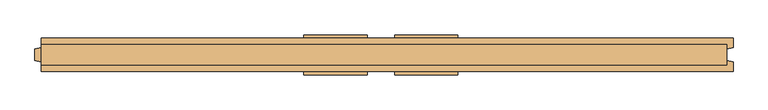
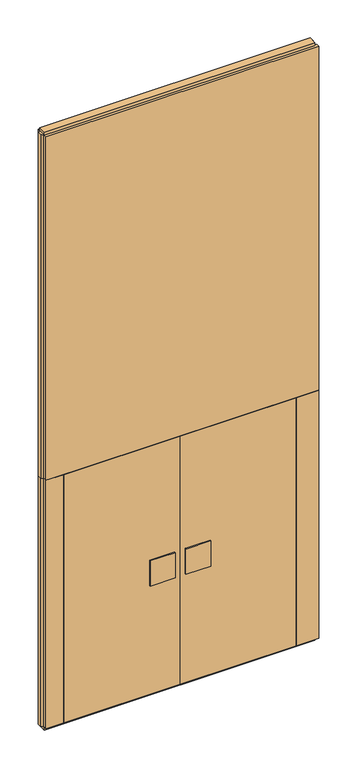
"""IFC4 building model written with IfcOpenShell, lengths in millimetres: door geometry."""

from ifc_helpers import new_model, si_unit, frame, origin, origin_with_axes, place, context, project, spatial, polyline, outline, extrude, source, transform, mapped, element, save


def door_0d68d484(model_context):
    return source(origin(), model_context, "Body", "SweptSolid", [
        extrude(outline(polyline([(43.0, -62.5), (43.0, -52.5), (240.0, -52.5), (240.0, -62.5), (43.0, -62.5)])), frame((0.0, 0.0, 934.0), z_axis=(0.0, 0.0, 1.0), x_axis=(1.0, 0.0, 0.0)), (0.0, 0.0, 1.0), 212.0),
        extrude(outline(polyline([(43.0, 52.5), (43.0, 62.5), (240.0, 62.5), (240.0, 52.5), (43.0, 52.5)])), frame((0.0, 0.0, 934.0), z_axis=(0.0, 0.0, 1.0), x_axis=(1.0, 0.0, 0.0)), (0.0, 0.0, 1.0), 212.0),
        extrude(outline(polyline([(-920.0, -52.5), (-920.0, 52.5), (0.0, 52.5), (0.0, -52.5), (-920.0, -52.5)])), frame((0.0, 0.0, 25.0), z_axis=(0.0, 0.0, 1.0), x_axis=(1.0, 0.0, 0.0)), (0.0, 0.0, 1.0), 2075.0),
        extrude(outline(polyline([(0.0, -52.5), (0.0, 52.5), (920.0, 52.5), (920.0, -52.5), (0.0, -52.5)])), frame((0.0, 0.0, 25.0), z_axis=(0.0, 0.0, 1.0), x_axis=(1.0, 0.0, 0.0)), (0.0, 0.0, 1.0), 2075.0),
        extrude(outline(polyline([(-240.0, -62.5), (-240.0, -52.5), (-43.0, -52.5), (-43.0, -62.5), (-240.0, -62.5)])), frame((0.0, 0.0, 934.0), z_axis=(0.0, 0.0, 1.0), x_axis=(1.0, 0.0, 0.0)), (0.0, 0.0, 1.0), 212.0),
        extrude(outline(polyline([(-240.0, 52.5), (-240.0, 62.5), (-43.0, 62.5), (-43.0, 52.5), (-240.0, 52.5)])), frame((0.0, 0.0, 934.0), z_axis=(0.0, 0.0, 1.0), x_axis=(1.0, 0.0, 0.0)), (0.0, 0.0, 1.0), 212.0),
        extrude(outline(polyline([(1080.0, 32.0), (1080.0, -32.0), (-1060.0, -32.0), (-1060.0, 32.0), (1080.0, 32.0)])), origin_with_axes(), (0.0, 0.0, 1.0), 25.0),
        extrude(outline(polyline([(1080.0, 32.0), (1080.0, -32.0), (-1060.0, -32.0), (-1060.0, 32.0), (1080.0, 32.0)])), frame((0.0, 0.0, 4975.0), z_axis=(0.0, 0.0, 1.0), x_axis=(1.0, 0.0, 0.0)), (0.0, 0.0, 1.0), 25.0),
        extrude(outline(polyline([(1100.0, -52.5), (920.0, -52.5), (920.0, 52.5), (1100.0, 52.5), (1100.0, 23.0), (1080.0, 17.6410162), (1080.0, -17.6410162), (1100.0, -23.0), (1100.0, -52.5)])), frame((0.0, 0.0, 25.0), z_axis=(0.0, 0.0, 1.0), x_axis=(1.0, 0.0, 0.0)), (0.0, 0.0, 1.0), 2075.0),
        extrude(outline(polyline([(-1060.0, -52.5), (-1060.0, -23.0), (-1080.0, -17.6410162), (-1080.0, 17.6410162), (-1060.0, 23.0), (-1060.0, 52.5), (-920.0, 52.5), (-920.0, -52.5), (-1060.0, -52.5)])), frame((0.0, 0.0, 25.0), z_axis=(0.0, 0.0, 1.0), x_axis=(1.0, 0.0, 0.0)), (0.0, 0.0, 1.0), 2075.0),
        extrude(outline(polyline([(1100.0, 52.5), (1100.0, 23.0), (1080.0, 17.6410162), (1080.0, -17.6410162), (1100.0, -23.0), (1100.0, -52.5), (-1060.0, -52.5), (-1060.0, -23.0), (-1080.0, -17.6410162), (-1080.0, 17.6410162), (-1060.0, 23.0), (-1060.0, 52.5), (1100.0, 52.5)])), frame((0.0, 0.0, 2100.0), z_axis=(0.0, 0.0, 1.0), x_axis=(1.0, 0.0, 0.0)), (0.0, 0.0, 1.0), 2875.0),
    ])


if __name__ == "__main__":
    model = new_model("IFC4")
    model_context = context("Model", 3, world=origin())
    ifc_project = project(units=[si_unit("LENGTHUNIT", "METRE", prefix="MILLI")], contexts=[model_context])
    site = spatial("IfcSite", under=ifc_project)
    building = spatial("IfcBuilding", under=site)
    placement = place(None, origin())
    door_shape = door_0d68d484(model_context)
    element("IfcDoor", 1, at=placement, inside=building, context=model_context, shape_type="MappedRepresentation", body=[
        mapped(door_shape, transform((0.0, 0.0, 0.0), x_axis=(1.0, 0.0, 0.0), y_axis=(0.0, 1.0, 0.0), z_axis=(0.0, 0.0, 1.0))),
    ])
    save(model, "model.ifc")
